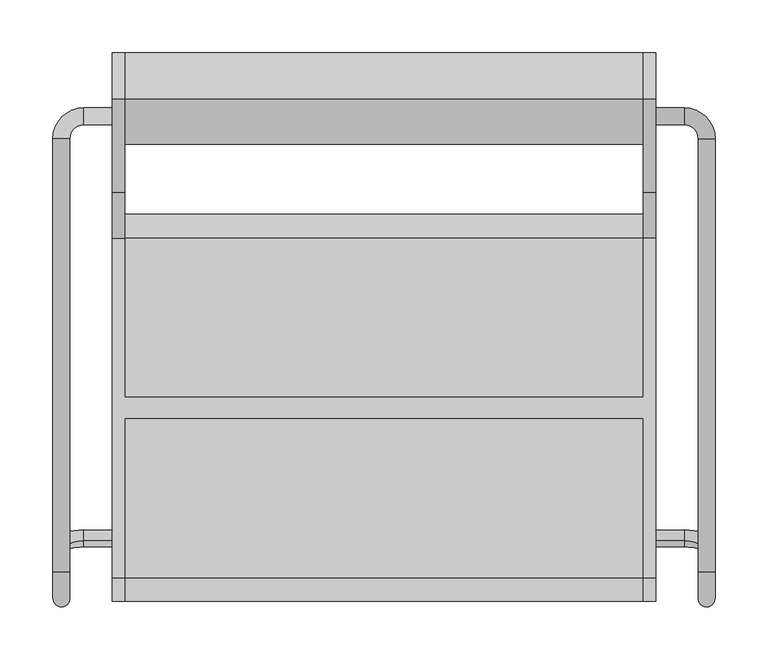
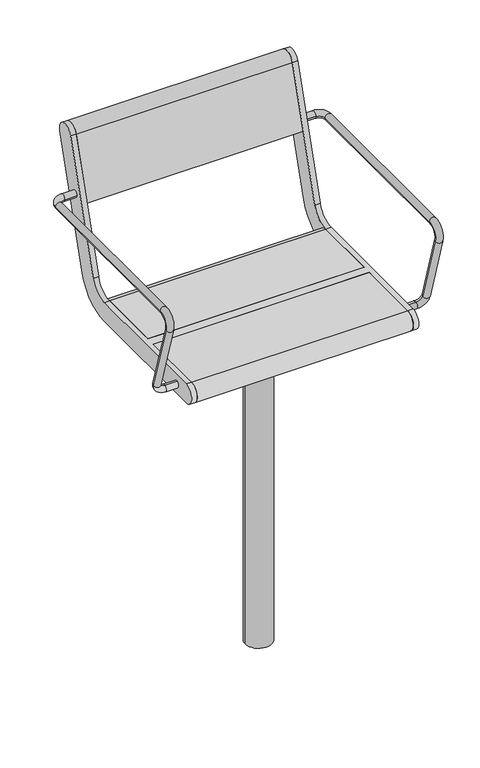
"""IFC4 building model written with IfcOpenShell, lengths in millimetres: furniture geometry."""

import ifcopenshell
import ifcopenshell.guid

model = None  # the IFC model being written
_history = None  # IfcOwnerHistory: only IFC2X3 demands one
_inside = {}  # id of a spatial element -> (the spatial element, [elements in it])
_under = {}  # id of a project, library or spatial element -> (it, [spatial elements below it])
_declared = {}  # id of a project -> (the project, [libraries it declares])
_typed = {}  # id of a type object -> (the type object, [elements of that type])
_made_of = {}  # id of a material, layer set ... -> (it, [elements and type objects made of it])


def new_model(schema):
    """Start an empty IFC model of exactly this schema.

    Asked for "IFC4X3", IfcOpenShell would pick the latest addendum, in which some entities
    have other attributes; the version numbers below select the first issue.
    IFC2X3 requires an IfcOwnerHistory on every rooted entity: one is made here for all.
    """
    global model, _history
    if schema == "IFC4X3":
        model = ifcopenshell.file(schema_version=(4, 3, 0, 0))
    else:
        model = ifcopenshell.file(schema=schema)
    _inside.clear()
    _under.clear()
    _declared.clear()
    _typed.clear()
    _made_of.clear()
    _history = None
    if model.schema == "IFC2X3":
        org = make("IfcOrganization", Name="unknown")
        user = make(
            "IfcPersonAndOrganization",
            ThePerson=make("IfcPerson", FamilyName="unknown"),
            TheOrganization=org,
        )
        app = make(
            "IfcApplication",
            ApplicationDeveloper=org,
            Version="unknown",
            ApplicationFullName="unknown",
            ApplicationIdentifier="unknown",
        )
        _history = make(
            "IfcOwnerHistory",
            OwningUser=user,
            OwningApplication=app,
            ChangeAction="ADDED",
            CreationDate=0,
        )
    return model


def make(cls, **values):
    """One entity of the class cls with the attributes given. An attribute that is None is left unset."""
    return model.create_entity(
        cls, **{name: value for name, value in values.items() if value is not None}
    )


def rooted(cls, **values):
    """An entity with a GlobalId (a new one), such as an element, a storey or a relation."""
    return make(cls, GlobalId=ifcopenshell.guid.new(), OwnerHistory=_history, **values)


def si_unit(unit_type, name, prefix=None):
    """IfcSIUnit, for example si_unit("LENGTHUNIT", "METRE", prefix="MILLI")."""
    return make("IfcSIUnit", UnitType=unit_type, Prefix=prefix, Name=name)


def assignment(units):
    """IfcUnitAssignment: the units of a project."""
    return None if units is None else make("IfcUnitAssignment", Units=units)


def point(xyz):
    """IfcCartesianPoint."""
    return None if xyz is None else make("IfcCartesianPoint", Coordinates=xyz)


def direction(xyz):
    """IfcDirection."""
    return None if xyz is None else make("IfcDirection", DirectionRatios=xyz)


def frame(location, z_axis=None, x_axis=None):
    """IfcAxis2Placement3D, a coordinate frame: its origin and axes. An axis left out is left unset."""
    return make(
        "IfcAxis2Placement3D",
        Location=point(location),
        Axis=direction(z_axis),
        RefDirection=direction(x_axis),
    )


def frame_2d(location, x_axis=None):
    """IfcAxis2Placement2D, a coordinate frame in the plane: its origin and x axis."""
    return make(
        "IfcAxis2Placement2D", Location=point(location), RefDirection=direction(x_axis)
    )


def origin():
    """The frame at (0, 0, 0) with its axes left unset."""
    return frame((0.0, 0.0, 0.0))


def origin_2d():
    """The frame at (0, 0) in the plane with its x axis left unset."""
    return frame_2d((0.0, 0.0))


def place(relative_to, where):
    """IfcLocalPlacement: puts the frame where relative to a parent placement (None: the world)."""
    return make(
        "IfcLocalPlacement", PlacementRelTo=relative_to, RelativePlacement=where
    )


def context(
    kind, dimensions, precision=None, world=None, true_north=None, identifier=None
):
    """IfcGeometricRepresentationContext, for example the 3D "Model" context."""
    return make(
        "IfcGeometricRepresentationContext",
        ContextIdentifier=identifier,
        ContextType=kind,
        CoordinateSpaceDimension=dimensions,
        Precision=precision,
        WorldCoordinateSystem=world,
        TrueNorth=true_north,
    )


def project(units=None, contexts=None):
    """IfcProject with its units and contexts."""
    return rooted(
        "IfcProject",
        Name="project",
        RepresentationContexts=contexts,
        UnitsInContext=assignment(units),
    )


def spatial(cls, under=None, at=None, **own):
    """A site, building, storey or space (cls), placed at a placement, below another one or the project."""
    s = rooted(cls, ObjectPlacement=at, **own)
    if under is not None:
        _under.setdefault(under.id(), (under, []))[1].append(s)
    return s


def polyline(points):
    """IfcPolyline through the points."""
    return make("IfcPolyline", Points=[point(p) for p in points])


def circle_curve(where, radius):
    """IfcCircle in the frame where."""
    return make("IfcCircle", Position=where, Radius=radius)


def ellipse_curve(where, semi_axis1, semi_axis2):
    """IfcEllipse in the frame where."""
    return make(
        "IfcEllipse", Position=where, SemiAxis1=semi_axis1, SemiAxis2=semi_axis2
    )


def trimmed(basis, trim1, trim2, sense, master):
    """IfcTrimmedCurve: the piece of a basis curve between two trims."""
    return make(
        "IfcTrimmedCurve",
        BasisCurve=basis,
        Trim1=trim1,
        Trim2=trim2,
        SenseAgreement=sense,
        MasterRepresentation=master,
    )


def segment(curve, same_sense, transition):
    """IfcCompositeCurveSegment."""
    return make(
        "IfcCompositeCurveSegment",
        Transition=transition,
        SameSense=same_sense,
        ParentCurve=curve,
    )


def composite_curve(segments, self_intersect=None):
    """IfcCompositeCurve: segments joined end to end."""
    return make("IfcCompositeCurve", Segments=segments, SelfIntersect=self_intersect)


def outline(outer, holes=None, kind="AREA"):
    """IfcArbitraryClosedProfileDef: a profile drawn as a closed curve; with holes, ...WithVoids."""
    if holes is None:
        return make("IfcArbitraryClosedProfileDef", ProfileType=kind, OuterCurve=outer)
    return make(
        "IfcArbitraryProfileDefWithVoids",
        ProfileType=kind,
        OuterCurve=outer,
        InnerCurves=holes,
    )


def extrude(swept, where, along, depth):
    """IfcExtrudedAreaSolid: the profile swept, set in the frame where, extruded along a direction by depth."""
    return make(
        "IfcExtrudedAreaSolid",
        SweptArea=swept,
        Position=where,
        ExtrudedDirection=direction(along),
        Depth=depth,
    )


def shape(context_of_items, identifier, shape_type, items):
    """IfcShapeRepresentation: the items that make up one representation, for example the "Body"."""
    return make(
        "IfcShapeRepresentation",
        ContextOfItems=context_of_items,
        RepresentationIdentifier=identifier,
        RepresentationType=shape_type,
        Items=items,
    )


def source(mapping_origin, context_of_items, identifier, shape_type, items):
    """IfcRepresentationMap: a shape defined once, which mapped items show again and again."""
    return make(
        "IfcRepresentationMap",
        MappingOrigin=mapping_origin,
        MappedRepresentation=shape(context_of_items, identifier, shape_type, items),
    )


def transform(
    local_origin,
    x_axis=None,
    y_axis=None,
    z_axis=None,
    scale=None,
    scale2=None,
    scale3=None,
    uniform=True,
):
    """IfcCartesianTransformationOperator3D, or its non-uniform kind. x_axis, y_axis, z_axis: its Axis1, 2, 3."""
    if uniform:
        return make(
            "IfcCartesianTransformationOperator3D",
            Axis1=direction(x_axis),
            Axis2=direction(y_axis),
            LocalOrigin=point(local_origin),
            Scale=scale,
            Axis3=direction(z_axis),
        )
    return make(
        "IfcCartesianTransformationOperator3DnonUniform",
        Axis1=direction(x_axis),
        Axis2=direction(y_axis),
        LocalOrigin=point(local_origin),
        Scale=scale,
        Axis3=direction(z_axis),
        Scale2=scale2,
        Scale3=scale3,
    )


def mapped(mapping_source, mapping_target):
    """IfcMappedItem: shows the shape of a source again, moved by a transform."""
    return make(
        "IfcMappedItem", MappingSource=mapping_source, MappingTarget=mapping_target
    )


def made_of(thing, what):
    """Note that an element or type object is made of a material, layer set ...; save() writes the relation."""
    if what is not None:
        _made_of.setdefault(what.id(), (what, []))[1].append(thing)
    return thing


def element(
    cls,
    number,
    at=None,
    inside=None,
    cuts=None,
    type_object=None,
    material=None,
    context=None,
    identifier="Body",
    shape_type=None,
    held_by="IfcProductDefinitionShape",
    body=None,
    shapes=None,
    **own,
):
    """One element of the class cls, such as IfcWall. Its Tag is "e" and its number.

    at: its placement. inside: the storey or other place that contains it. cuts: it is an
    opening in that element (IfcRelVoidsElement). A single representation is given by context,
    identifier, shape_type and body (its items); several are given by shapes. held_by: the class
    of the entity that holds the representations. save() writes the other relations.
    """
    e = rooted(cls, Tag="e%d" % number, ObjectPlacement=at, **own)
    if body is not None:
        shapes = [shape(context, identifier, shape_type, body)]
    if shapes is not None:
        e.Representation = make(held_by, Representations=shapes)
    if inside is not None:
        _inside.setdefault(inside.id(), (inside, []))[1].append(e)
    if cuts is not None:
        rooted(
            "IfcRelVoidsElement", RelatingBuildingElement=cuts, RelatedOpeningElement=e
        )
    if type_object is not None:
        _typed.setdefault(type_object.id(), (type_object, []))[1].append(e)
    return made_of(e, material)


def aggregate(whole, parts):
    """IfcRelAggregates: a whole, such as a stair, and the parts it consists of."""
    return rooted("IfcRelAggregates", RelatingObject=whole, RelatedObjects=parts)


def save(model, path):
    """Write the relations noted so far, then the file.

    IfcRelAggregates (storeys below a building ...), IfcRelContainedInSpatialStructure (elements
    in a storey), IfcRelDefinesByType, IfcRelAssociatesMaterial and IfcRelDeclares: one each for
    every whole, place, type object, material and project.
    """
    for whole, parts in _under.values():
        aggregate(whole, parts)
    for where, things in _inside.values():
        rooted(
            "IfcRelContainedInSpatialStructure",
            RelatedElements=things,
            RelatingStructure=where,
        )
    for kind, things in _typed.values():
        rooted("IfcRelDefinesByType", RelatedObjects=things, RelatingType=kind)
    for what, things in _made_of.values():
        rooted("IfcRelAssociatesMaterial", RelatedObjects=things, RelatingMaterial=what)
    for by, libraries in _declared.values():
        rooted("IfcRelDeclares", RelatingContext=by, RelatedDefinitions=libraries)
    model.write(path)


def plane_surface(at):
    """IfcPlane: the flat surface through the origin of the frame at, square to its z axis."""
    return make("IfcPlane", Position=at)


def cylinder_surface(at, radius):
    """IfcCylindricalSurface: all points at the distance radius from the z axis of the frame at."""
    return make("IfcCylindricalSurface", Position=at, Radius=radius)


def revolved_surface(curve, axis_point, axis_direction):
    """IfcSurfaceOfRevolution: the curve turned about the line through axis_point along axis_direction."""
    return make(
        "IfcSurfaceOfRevolution",
        SweptCurve=make("IfcArbitraryOpenProfileDef", ProfileType="CURVE", Curve=curve),
        AxisPosition=make("IfcAxis1Placement", Location=point(axis_point), Axis=direction(axis_direction)),
    )


def advanced_brep(points, edges, surfaces, faces):
    """IfcAdvancedBrep: a solid bounded by faces that lie on surfaces and meet in shared edges.

    An edge is (start, end): straight between two places in points (the first is 0);
    or (start, end, curve); or (start, end, curve, False) where it runs against its curve.
    A face is (place in surfaces, loops), or (place, loops, False) where it looks against
    its surface's normal. A loop lists edges by number (the first is 1), with a minus sign
    where the edge is run from its end to its start. The first loop is the outer one.
    """
    corners = [point(p) for p in points]
    vertices = [make("IfcVertexPoint", VertexGeometry=c) for c in corners]
    made = []
    for start, end, *more in edges:
        made.append(
            make(
                "IfcEdgeCurve",
                EdgeStart=vertices[start],
                EdgeEnd=vertices[end],
                EdgeGeometry=more[0] if more else make("IfcPolyline", Points=[corners[start], corners[end]]),
                SameSense=more[1] if len(more) > 1 else True,
            )
        )
    hull = []
    for where, loops, *sense in faces:
        bounds = []
        for j, loop in enumerate(loops):
            ring = [make("IfcOrientedEdge", EdgeElement=made[abs(k) - 1], Orientation=k > 0) for k in loop]
            bounds.append(
                make(
                    "IfcFaceOuterBound" if j == 0 else "IfcFaceBound",
                    Bound=make("IfcEdgeLoop", EdgeList=ring),
                    Orientation=True,
                )
            )
        hull.append(make("IfcAdvancedFace", Bounds=bounds, FaceSurface=surfaces[where], SameSense=sense[0] if sense else True))
    return make("IfcAdvancedBrep", Outer=make("IfcClosedShell", CfsFaces=hull))


def furniture_f6655a79(model_context):
    return source(origin(), model_context, "Body", "SolidModel", [
        advanced_brep(
        [(257.0, 267.0, 641.5), (257.0, 283.0, 641.5), (284.0, 267.0, 641.5), (284.0, 283.0, 641.5), (297.0, 254.0, 641.5), (313.0, 254.0, 641.5), (297.0, -155.6408049, 641.5), (313.0, -155.6408049, 641.5), (313.0, -179.5484238, 609.1907074), (297.0, -179.5484238, 609.1907074), (313.0, -130.1398058, 447.5823999), (297.0, -130.1398058, 447.5823999), (257.0, -126.3389736, 435.150438), (257.0, -121.6610264, 419.849562), (284.0, -121.6610264, 419.849562), (284.0, -126.3389736, 435.150438)],
        [
            (0, 1, circle_curve(frame((257.0, 275.0, 641.5), z_axis=(-1.0, 0.0, 0.0), x_axis=(0.0, 1.0, 0.0)), 8.0)),
            (1, 0, circle_curve(frame((257.0, 275.0, 641.5), z_axis=(-1.0, 0.0, 0.0), x_axis=(0.0, 1.0, 0.0)), 8.0)),
            (0, 2),
            (2, 3, circle_curve(frame((284.0, 275.0, 641.5), z_axis=(-1.0, 0.0, 0.0), x_axis=(0.0, 1.0, 0.0)), 8.0)),
            (3, 1),
            (3, 2, circle_curve(frame((284.0, 275.0, 641.5), z_axis=(-1.0, 0.0, 0.0), x_axis=(0.0, 1.0, 0.0)), 8.0)),
            (2, 4, circle_curve(frame((284.0, 254.0, 641.5), z_axis=(0.0, 0.0, -1.0), x_axis=(0.0, 1.0, 0.0)), 13.0)),
            (4, 5, circle_curve(frame((305.0, 254.0, 641.5), z_axis=(0.0, 1.0, 0.0), x_axis=(1.0, 0.0, 0.0)), 8.0)),
            (5, 3, circle_curve(frame((284.0, 254.0, 641.5), z_axis=(0.0, 0.0, 1.0), x_axis=(0.0, 1.0, 0.0)), 29.0)),
            (5, 4, circle_curve(frame((305.0, 254.0, 641.5), z_axis=(0.0, 1.0, 0.0), x_axis=(1.0, 0.0, 0.0)), 8.0)),
            (4, 6),
            (6, 7, circle_curve(frame((305.0, -155.6408049, 641.5), z_axis=(0.0, 1.0, 0.0), x_axis=(1.0, 0.0, 0.0)), 8.0)),
            (7, 5),
            (7, 6, circle_curve(frame((305.0, -155.6408049, 641.5), z_axis=(0.0, 1.0, 0.0), x_axis=(1.0, 0.0, 0.0)), 8.0)),
            (7, 8, circle_curve(frame((313.0, -155.6408049, 616.5), z_axis=(1.0, 0.0, 0.0), x_axis=(0.0, 0.0, 1.0)), 25.0)),
            (8, 9, circle_curve(frame((305.0, -179.5484238, 609.1907074), z_axis=(0.0, -0.2923717047227469, 0.9563047559630324), x_axis=(1.0, 0.0, 0.0)), 8.0)),
            (9, 6, circle_curve(frame((297.0, -155.6408049, 616.5), z_axis=(-1.0, 0.0, 0.0), x_axis=(0.0, 0.0, 1.0)), 25.0)),
            (9, 8, circle_curve(frame((305.0, -179.5484238, 609.1907074), z_axis=(0.0, -0.2923717047227456, 0.9563047559630328), x_axis=(1.0, 0.0, 0.0)), 8.0)),
            (8, 10),
            (10, 11, circle_curve(frame((305.0, -130.1398058, 447.5823999), z_axis=(0.0, -0.2923717047227381, 0.9563047559630351), x_axis=(1.0, 0.0, 0.0)), 8.0)),
            (11, 9),
            (11, 10, circle_curve(frame((305.0, -130.1398058, 447.5823999), z_axis=(0.0, -0.2923717047227381, 0.9563047559630351), x_axis=(1.0, 0.0, 0.0)), 8.0)),
            (12, 13, circle_curve(frame((257.0, -124.0, 427.5), z_axis=(-1.0, 0.0, 0.0), x_axis=(0.0, 0.2923717047227402, -0.9563047559630344)), 8.0)),
            (13, 12, circle_curve(frame((257.0, -124.0, 427.5), z_axis=(-1.0, 0.0, 0.0), x_axis=(0.0, 0.2923717047227402, -0.9563047559630344)), 8.0)),
            (13, 14),
            (14, 15, circle_curve(frame((284.0, -124.0, 427.5), z_axis=(-1.0, 0.0, 0.0), x_axis=(0.0, 0.2923717047227402, -0.9563047559630344)), 8.0)),
            (15, 12),
            (15, 14, circle_curve(frame((284.0, -124.0, 427.5), z_axis=(-1.0, 0.0, 0.0), x_axis=(0.0, 0.2923717047227402, -0.9563047559630344)), 8.0)),
            (14, 10, circle_curve(frame((284.0, -130.1398058, 447.5823999), z_axis=(0.0, -0.9563047559630344, -0.29237170472274027), x_axis=(0.0, 0.29237170472274027, -0.9563047559630344)), 29.0)),
            (11, 15, circle_curve(frame((284.0, -130.1398058, 447.5823999), z_axis=(0.0, 0.9563047559630344, 0.29237170472274027), x_axis=(0.0, 0.29237170472274027, -0.9563047559630344)), 13.0)),
        ],
        [
            plane_surface(frame((257.0, 275.0, 405.0), z_axis=(-1.0, 0.0, 0.0), x_axis=(0.0, 0.0, 1.0))),
            cylinder_surface(frame((257.0, 275.0, 641.5), z_axis=(-1.0, 0.0, 0.0), x_axis=(0.0, 1.0, 0.0)), 8.0),
            revolved_surface(trimmed(ellipse_curve(frame((284.0, 275.0, 641.5), z_axis=(-1.0, 0.0, 0.0), x_axis=(0.0, 1.0, 0.0)), 8.0, 8.0), [point((284.0, 267.0, 641.5))], [point((284.0, 283.0, 641.5))], True, "CARTESIAN"), (284.0, 254.0, 405.0), (0.0, 0.0, -1.0)),
            revolved_surface(trimmed(ellipse_curve(frame((284.0, 275.0, 641.5), z_axis=(-1.0, 0.0, 0.0), x_axis=(0.0, 1.0, 0.0)), 8.0, 8.0), [point((284.0, 283.0, 641.5))], [point((284.0, 267.0, 641.5))], True, "CARTESIAN"), (284.0, 254.0, 405.0), (0.0, 0.0, -1.0)),
            cylinder_surface(frame((305.0, 254.0, 641.5), z_axis=(0.0, 1.0, 0.0), x_axis=(1.0, 0.0, 0.0)), 8.0),
            revolved_surface(trimmed(ellipse_curve(frame((305.0, -155.6408049, 641.5), z_axis=(0.0, 1.0, 0.0), x_axis=(1.0, 0.0, 0.0)), 8.0, 8.0), [point((313.0, -155.6408049, 641.5))], [point((297.0, -155.6408049, 641.5))], True, "CARTESIAN"), (0.0, -155.6408049, 616.5), (1.0, 0.0, 0.0)),
            revolved_surface(trimmed(ellipse_curve(frame((305.0, -155.6408049, 641.5), z_axis=(0.0, 1.0, 0.0), x_axis=(1.0, 0.0, 0.0)), 8.0, 8.0), [point((297.0, -155.6408049, 641.5))], [point((313.0, -155.6408049, 641.5))], True, "CARTESIAN"), (0.0, -155.6408049, 616.5), (1.0, 0.0, 0.0)),
            cylinder_surface(frame((305.0, -179.5484238, 609.1907074), z_axis=(0.0, -0.2923717047227381, 0.9563047559630351), x_axis=(1.0, 0.0, 0.0)), 8.0),
            plane_surface(frame((257.0, 489.469501, 615.0564486), z_axis=(-1.0, 0.0, 0.0), x_axis=(0.0, -0.9563047559630344, -0.29237170472274027))),
            cylinder_surface(frame((257.0, -124.0, 427.5), z_axis=(-1.0, 0.0, 0.0), x_axis=(0.0, 0.2923717047227402, -0.9563047559630344)), 8.0),
            revolved_surface(trimmed(ellipse_curve(frame((284.0, -124.0, 427.5), z_axis=(-1.0, 0.0, 0.0), x_axis=(0.0, 0.2923717047227402, -0.9563047559630344)), 8.0, 8.0), [point((284.0, -121.6610264, 419.849562))], [point((284.0, -126.3389736, 435.150438))], True, "CARTESIAN"), (284.0, 483.3296952, 635.1388485), (0.0, -0.9563047559630344, -0.29237170472274027)),
            revolved_surface(trimmed(ellipse_curve(frame((284.0, -124.0, 427.5), z_axis=(-1.0, 0.0, 0.0), x_axis=(0.0, 0.2923717047227402, -0.9563047559630344)), 8.0, 8.0), [point((284.0, -126.3389736, 435.150438))], [point((284.0, -121.6610264, 419.849562))], True, "CARTESIAN"), (284.0, 483.3296952, 635.1388485), (0.0, -0.9563047559630344, -0.29237170472274027)),
        ],
        [
            (0, [[1, 2]]),
            (1, [[-1, 3, 4, 5]]),
            (1, [[-2, -5, 6, -3]]),
            (2, [[-4, 7, 8, 9]]),
            (3, [[-6, -9, 10, -7]]),
            (4, [[11, 12, 13, -8]]),
            (4, [[-11, -10, -13, 14]]),
            (5, [[-14, 15, 16, 17]]),
            (6, [[-12, -17, 18, -15]]),
            (7, [[-16, 19, 20, 21]]),
            (7, [[-18, -21, 22, -19]]),
            (8, [[23, 24]]),
            (9, [[-24, 25, 26, 27]]),
            (9, [[-23, -27, 28, -25]]),
            (10, [[-26, 29, -22, 30]]),
            (11, [[-28, -30, -20, -29]]),
        ],
    ),
        advanced_brep(
        [(-313.0, 254.0, 641.5), (-313.0, -155.6408049, 641.5), (-297.0, -155.6408049, 641.5), (-297.0, 254.0, 641.5), (-257.0, 267.0, 641.5), (-257.0, 283.0, 641.5), (-284.0, 283.0, 641.5), (-284.0, 267.0, 641.5), (-297.0, -179.5484238, 609.1907074), (-313.0, -179.5484238, 609.1907074), (-297.0, -130.1398058, 447.5823999), (-313.0, -130.1398058, 447.5823999), (-257.0, -126.3389736, 435.150438), (-257.0, -121.6610264, 419.849562), (-284.0, -126.3389736, 435.150438), (-284.0, -121.6610264, 419.849562)],
        [
            (0, 1),
            (1, 2, circle_curve(frame((-305.0, -155.6408049, 641.5), z_axis=(0.0, 1.0, 0.0), x_axis=(-1.0, 0.0, 0.0)), 8.0)),
            (2, 3),
            (3, 0, circle_curve(frame((-305.0, 254.0, 641.5), z_axis=(0.0, -1.0, 0.0), x_axis=(-1.0, 0.0, 0.0)), 8.0)),
            (0, 3, circle_curve(frame((-305.0, 254.0, 641.5), z_axis=(0.0, -1.0, 0.0), x_axis=(-1.0, 0.0, 0.0)), 8.0)),
            (2, 1, circle_curve(frame((-305.0, -155.6408049, 641.5), z_axis=(0.0, 1.0, 0.0), x_axis=(-1.0, 0.0, 0.0)), 8.0)),
            (4, 5, circle_curve(frame((-257.0, 275.0, 641.5), z_axis=(1.0, 0.0, 0.0), x_axis=(0.0, 1.0, 0.0)), 8.0)),
            (5, 4, circle_curve(frame((-257.0, 275.0, 641.5), z_axis=(1.0, 0.0, 0.0), x_axis=(0.0, 1.0, 0.0)), 8.0)),
            (5, 6),
            (6, 7, circle_curve(frame((-284.0, 275.0, 641.5), z_axis=(1.0, 0.0, 0.0), x_axis=(0.0, 1.0, 0.0)), 8.0)),
            (7, 4),
            (7, 6, circle_curve(frame((-284.0, 275.0, 641.5), z_axis=(1.0, 0.0, 0.0), x_axis=(0.0, 1.0, 0.0)), 8.0)),
            (6, 0, circle_curve(frame((-284.0, 254.0, 641.5), z_axis=(0.0, 0.0, 1.0), x_axis=(0.0, 1.0, 0.0)), 29.0)),
            (3, 7, circle_curve(frame((-284.0, 254.0, 641.5), z_axis=(0.0, 0.0, -1.0), x_axis=(0.0, 1.0, 0.0)), 13.0)),
            (2, 8, circle_curve(frame((-297.0, -155.6408049, 616.5), z_axis=(1.0, 0.0, 0.0), x_axis=(0.0, 0.0, 1.0)), 25.0)),
            (8, 9, circle_curve(frame((-305.0, -179.5484238, 609.1907074), z_axis=(0.0, -0.29237170472274643, 0.9563047559630325), x_axis=(-1.0, 0.0, 0.0)), 8.0)),
            (9, 1, circle_curve(frame((-313.0, -155.6408049, 616.5), z_axis=(-1.0, 0.0, 0.0), x_axis=(0.0, 0.0, 1.0)), 25.0)),
            (9, 8, circle_curve(frame((-305.0, -179.5484238, 609.1907074), z_axis=(0.0, -0.29237170472274643, 0.9563047559630325), x_axis=(-1.0, 0.0, 0.0)), 8.0)),
            (8, 10),
            (10, 11, circle_curve(frame((-305.0, -130.1398058, 447.5823999), z_axis=(0.0, -0.2923717047227381, 0.9563047559630351), x_axis=(-1.0, 0.0, 0.0)), 8.0)),
            (11, 9),
            (11, 10, circle_curve(frame((-305.0, -130.1398058, 447.5823999), z_axis=(0.0, -0.2923717047227381, 0.9563047559630351), x_axis=(-1.0, 0.0, 0.0)), 8.0)),
            (12, 13, circle_curve(frame((-257.0, -124.0, 427.5), z_axis=(1.0, 0.0, 0.0), x_axis=(0.0, 0.2923717047227402, -0.9563047559630344)), 8.0)),
            (13, 12, circle_curve(frame((-257.0, -124.0, 427.5), z_axis=(1.0, 0.0, 0.0), x_axis=(0.0, 0.2923717047227402, -0.9563047559630344)), 8.0)),
            (12, 14),
            (14, 15, circle_curve(frame((-284.0, -124.0, 427.5), z_axis=(1.0, 0.0, 0.0), x_axis=(0.0, 0.2923717047227402, -0.9563047559630344)), 8.0)),
            (15, 13),
            (15, 14, circle_curve(frame((-284.0, -124.0, 427.5), z_axis=(1.0, 0.0, 0.0), x_axis=(0.0, 0.2923717047227402, -0.9563047559630344)), 8.0)),
            (14, 10, circle_curve(frame((-284.0, -130.1398058, 447.5823999), z_axis=(0.0, 0.9563047559630344, 0.29237170472274027), x_axis=(0.0, 0.29237170472274027, -0.9563047559630344)), 13.0)),
            (11, 15, circle_curve(frame((-284.0, -130.1398058, 447.5823999), z_axis=(0.0, -0.9563047559630344, -0.29237170472274027), x_axis=(0.0, 0.29237170472274027, -0.9563047559630344)), 29.0)),
        ],
        [
            cylinder_surface(frame((-305.0, 254.0, 641.5), z_axis=(0.0, 1.0, 0.0), x_axis=(-1.0, 0.0, 0.0)), 8.0),
            plane_surface(frame((-257.0, 275.0, 405.0), z_axis=(1.0, 0.0, 0.0), x_axis=(0.0, 0.0, 1.0))),
            cylinder_surface(frame((-257.0, 275.0, 641.5), z_axis=(1.0, 0.0, 0.0), x_axis=(0.0, 1.0, 0.0)), 8.0),
            revolved_surface(trimmed(ellipse_curve(frame((-284.0, 275.0, 641.5), z_axis=(1.0, 0.0, 0.0), x_axis=(0.0, 1.0, 0.0)), 8.0, 8.0), [point((-284.0, 283.0, 641.5))], [point((-284.0, 267.0, 641.5))], True, "CARTESIAN"), (-284.0, 254.0, 405.0), (0.0, 0.0, 1.0)),
            revolved_surface(trimmed(ellipse_curve(frame((-284.0, 275.0, 641.5), z_axis=(1.0, 0.0, 0.0), x_axis=(0.0, 1.0, 0.0)), 8.0, 8.0), [point((-284.0, 267.0, 641.5))], [point((-284.0, 283.0, 641.5))], True, "CARTESIAN"), (-284.0, 254.0, 405.0), (0.0, 0.0, 1.0)),
            revolved_surface(trimmed(ellipse_curve(frame((-305.0, -155.6408049, 641.5), z_axis=(0.0, 1.0, 0.0), x_axis=(-1.0, 0.0, 0.0)), 8.0, 8.0), [point((-297.0, -155.6408049, 641.5))], [point((-313.0, -155.6408049, 641.5))], True, "CARTESIAN"), (0.0, -155.6408049, 616.5), (1.0, 0.0, 0.0)),
            revolved_surface(trimmed(ellipse_curve(frame((-305.0, -155.6408049, 641.5), z_axis=(0.0, 1.0, 0.0), x_axis=(-1.0, 0.0, 0.0)), 8.0, 8.0), [point((-313.0, -155.6408049, 641.5))], [point((-297.0, -155.6408049, 641.5))], True, "CARTESIAN"), (0.0, -155.6408049, 616.5), (1.0, 0.0, 0.0)),
            cylinder_surface(frame((-305.0, -179.5484238, 609.1907074), z_axis=(0.0, -0.2923717047227381, 0.9563047559630351), x_axis=(-1.0, 0.0, 0.0)), 8.0),
            plane_surface(frame((-257.0, 489.469501, 615.0564486), z_axis=(1.0, 0.0, 0.0), x_axis=(0.0, -0.9563047559630344, -0.29237170472274027))),
            cylinder_surface(frame((-257.0, -124.0, 427.5), z_axis=(1.0, 0.0, 0.0), x_axis=(0.0, 0.2923717047227402, -0.9563047559630344)), 8.0),
            revolved_surface(trimmed(ellipse_curve(frame((-284.0, -124.0, 427.5), z_axis=(1.0, 0.0, 0.0), x_axis=(0.0, 0.2923717047227402, -0.9563047559630344)), 8.0, 8.0), [point((-284.0, -126.3389736, 435.150438))], [point((-284.0, -121.6610264, 419.849562))], True, "CARTESIAN"), (-284.0, 483.3296952, 635.1388485), (0.0, 0.9563047559630344, 0.29237170472274027)),
            revolved_surface(trimmed(ellipse_curve(frame((-284.0, -124.0, 427.5), z_axis=(1.0, 0.0, 0.0), x_axis=(0.0, 0.2923717047227402, -0.9563047559630344)), 8.0, 8.0), [point((-284.0, -121.6610264, 419.849562))], [point((-284.0, -126.3389736, 435.150438))], True, "CARTESIAN"), (-284.0, 483.3296952, 635.1388485), (0.0, 0.9563047559630344, 0.29237170472274027)),
        ],
        [
            (0, [[1, 2, 3, 4]]),
            (0, [[-1, 5, -3, 6]]),
            (1, [[7, 8]]),
            (2, [[-8, 9, 10, 11]]),
            (2, [[-7, -11, 12, -9]]),
            (3, [[-10, 13, -4, 14]]),
            (4, [[-12, -14, -5, -13]]),
            (5, [[-6, 15, 16, 17]]),
            (6, [[-2, -17, 18, -15]]),
            (7, [[-16, 19, 20, 21]]),
            (7, [[-18, -21, 22, -19]]),
            (8, [[23, 24]]),
            (9, [[-23, 25, 26, 27]]),
            (9, [[-24, -27, 28, -25]]),
            (10, [[-26, 29, -22, 30]]),
            (11, [[-28, -30, -20, -29]]),
        ],
    ),
        advanced_brep(
        [(-245.0, 291.0375971, 769.6910048), (-245.0, 203.033714, 481.8432733), (-245.0, 160.0, 450.0), (-245.0, 9.5, 450.0), (-245.0, 9.5, 405.0), (-245.0, 160.0, 405.0), (-245.0, 246.067428, 468.6865466), (-245.0, 334.0713112, 756.5342781), (-245.0, -161.0, 450.0), (-245.0, -161.0, 405.0), (-245.0, -10.5, 405.0), (-245.0, -10.5, 450.0), (-257.0, 291.0375971, 769.6910048), (-257.0, 334.0713112, 756.5342781), (-257.0, 246.067428, 468.6865466), (-257.0, 160.0, 405.0), (-257.0, -161.0, 405.0), (-257.0, -161.0, 450.0), (-257.0, 160.0, 450.0), (-257.0, 203.033714, 481.8432733), (245.0, -10.5, 450.0), (245.0, -161.0, 450.0), (257.0, -161.0, 450.0), (257.0, 160.0, 450.0), (245.0, 160.0, 450.0), (245.0, 9.5, 450.0), (245.0, 9.5, 405.0), (245.0, 160.0, 405.0), (257.0, 160.0, 405.0), (257.0, -161.0, 405.0), (245.0, -161.0, 405.0), (245.0, -10.5, 405.0), (257.0, 291.0375971, 769.6910048), (257.0, 203.033714, 481.8432733), (257.0, 246.067428, 468.6865466), (257.0, 334.0713112, 756.5342781), (245.0, 291.0375971, 769.6910048), (245.0, 334.0713112, 756.5342781), (245.0, 246.067428, 468.6865466), (245.0, 203.033714, 481.8432733)],
        [
            (0, 1),
            (1, 2, circle_curve(frame((-245.0, 160.0, 495.0), z_axis=(-1.0, 0.0, 0.0), x_axis=(0.0, -1.0, 0.0)), 45.0)),
            (2, 3),
            (3, 4),
            (4, 5),
            (5, 6, circle_curve(frame((-245.0, 160.0, 495.0), z_axis=(1.0, 0.0, 0.0), x_axis=(0.0, -1.0, 0.0)), 90.0)),
            (6, 7),
            (7, 0, circle_curve(frame((-245.0, 312.5544541, 763.1126415), z_axis=(1.0, 0.0, 0.0), x_axis=(0.0, -1.0, 0.0)), 22.5)),
            (8, 9, circle_curve(frame((-245.0, -161.0, 427.5), z_axis=(1.0, 0.0, 0.0), x_axis=(0.0, -1.0, 0.0)), 22.5)),
            (9, 10),
            (10, 11),
            (11, 8),
            (12, 13, circle_curve(frame((-257.0, 312.5544541, 763.1126415), z_axis=(-1.0, 0.0, 0.0), x_axis=(0.0, -1.0, 0.0)), 22.5)),
            (13, 14),
            (14, 15, circle_curve(frame((-257.0, 160.0, 495.0), z_axis=(-1.0, 0.0, 0.0), x_axis=(0.0, -1.0, 0.0)), 90.0)),
            (15, 16),
            (16, 17, circle_curve(frame((-257.0, -161.0, 427.5), z_axis=(-1.0, 0.0, 0.0), x_axis=(0.0, -1.0, 0.0)), 22.5)),
            (17, 18),
            (18, 19, circle_curve(frame((-257.0, 160.0, 495.0), z_axis=(1.0, 0.0, 0.0), x_axis=(0.0, -1.0, 0.0)), 45.0)),
            (19, 12),
            (0, 12),
            (19, 1),
            (18, 2),
            (17, 8),
            (11, 20),
            (20, 21),
            (21, 22),
            (22, 23),
            (23, 24),
            (24, 25),
            (25, 3),
            (15, 5),
            (4, 26),
            (26, 27),
            (27, 28),
            (28, 29),
            (29, 30),
            (30, 31),
            (31, 10),
            (9, 16),
            (14, 6),
            (13, 7),
            (31, 20),
            (25, 26),
            (32, 33),
            (33, 23, circle_curve(frame((257.0, 160.0, 495.0), z_axis=(-1.0, 0.0, 0.0), x_axis=(0.0, -1.0, 0.0)), 45.0)),
            (22, 29, circle_curve(frame((257.0, -161.0, 427.5), z_axis=(1.0, 0.0, 0.0), x_axis=(0.0, -1.0, 0.0)), 22.5)),
            (28, 34, circle_curve(frame((257.0, 160.0, 495.0), z_axis=(1.0, 0.0, 0.0), x_axis=(0.0, -1.0, 0.0)), 90.0)),
            (34, 35),
            (35, 32, circle_curve(frame((257.0, 312.5544541, 763.1126415), z_axis=(1.0, 0.0, 0.0), x_axis=(0.0, -1.0, 0.0)), 22.5)),
            (36, 37, circle_curve(frame((245.0, 312.5544541, 763.1126415), z_axis=(-1.0, 0.0, 0.0), x_axis=(0.0, -1.0, 0.0)), 22.5)),
            (37, 38),
            (38, 27, circle_curve(frame((245.0, 160.0, 495.0), z_axis=(-1.0, 0.0, 0.0), x_axis=(0.0, -1.0, 0.0)), 90.0)),
            (24, 39, circle_curve(frame((245.0, 160.0, 495.0), z_axis=(1.0, 0.0, 0.0), x_axis=(0.0, -1.0, 0.0)), 45.0)),
            (39, 36),
            (30, 21, circle_curve(frame((245.0, -161.0, 427.5), z_axis=(-1.0, 0.0, 0.0), x_axis=(0.0, -1.0, 0.0)), 22.5)),
            (32, 36),
            (39, 33),
            (38, 34),
            (37, 35),
        ],
        [
            plane_surface(frame((-245.0, 203.033714, 481.8432733), z_axis=(1.0000000000000002, 0.0, 0.0), x_axis=(0.0, -0.29237170472273394, -0.9563047559630364))),
            plane_surface(frame((-257.0, 203.033714, 481.8432733), z_axis=(-1.0000000000000002, 0.0, 0.0), x_axis=(0.0, 0.29237170472273394, 0.9563047559630364))),
            plane_surface(frame((-245.0, 291.0375971, 769.6910048), z_axis=(0.0, -0.9563047559630364, 0.29237170472273394), x_axis=(-1.0, 0.0, 0.0))),
            revolved_surface(polyline([(-257.0, 115.0, 495.0), (-245.0, 115.0, 495.0)]), (-257.0, 160.0, 495.0), (-1.0, 0.0, 0.0)),
            plane_surface(frame((-245.0, 160.0, 450.0), z_axis=(0.0, 0.0, 1.0), x_axis=(-1.0, 0.0, 0.0))),
            plane_surface(frame((-245.0, -161.0, 405.0), z_axis=(0.0, 0.0, -1.0), x_axis=(-1.0, 0.0, 0.0))),
            cylinder_surface(frame((-257.0, 160.0, 495.0), z_axis=(1.0, 0.0, 0.0), x_axis=(0.0, -1.0, 0.0)), 90.0),
            plane_surface(frame((-245.0, 246.067428, 468.6865466), z_axis=(0.0, 0.9563047559630364, -0.29237170472273366), x_axis=(-1.0, 0.0, 0.0))),
            cylinder_surface(frame((-257.0, 312.5544541, 763.1126415), z_axis=(1.0, 0.0, 0.0), x_axis=(0.0, -1.0, 0.0)), 22.5),
            cylinder_surface(frame((-257.0, -161.0, 427.5), z_axis=(1.0, 0.0, 0.0), x_axis=(0.0, -1.0, 0.0)), 22.5),
            plane_surface(frame((245.0, -10.5, 450.0), z_axis=(0.0, -1.0, 0.0), x_axis=(-1.0, 0.0, 0.0))),
            plane_surface(frame((245.0, 9.5, 405.0), z_axis=(0.0, 1.0, 0.0), x_axis=(-1.0, 0.0, 0.0))),
            plane_surface(frame((257.0, 203.033714, 481.8432733), z_axis=(1.0000000000000002, 0.0, 0.0), x_axis=(0.0, -0.29237170472273394, -0.9563047559630364))),
            plane_surface(frame((245.0, 203.033714, 481.8432733), z_axis=(-1.0000000000000002, 0.0, 0.0), x_axis=(0.0, 0.29237170472273394, 0.9563047559630364))),
            plane_surface(frame((257.0, 291.0375971, 769.6910048), z_axis=(0.0, -0.9563047559630364, 0.29237170472273394), x_axis=(-1.0, 0.0, 0.0))),
            revolved_surface(polyline([(245.0, 115.0, 495.0), (257.0, 115.0, 495.0)]), (245.0, 160.0, 495.0), (-1.0, 0.0, 0.0)),
            cylinder_surface(frame((245.0, 160.0, 495.0), z_axis=(1.0, 0.0, 0.0), x_axis=(0.0, -1.0, 0.0)), 90.0),
            plane_surface(frame((257.0, 246.067428, 468.6865466), z_axis=(0.0, 0.9563047559630364, -0.29237170472273366), x_axis=(-1.0, 0.0, 0.0))),
            cylinder_surface(frame((245.0, 312.5544541, 763.1126415), z_axis=(1.0, 0.0, 0.0), x_axis=(0.0, -1.0, 0.0)), 22.5),
            cylinder_surface(frame((245.0, -161.0, 427.5), z_axis=(1.0, 0.0, 0.0), x_axis=(0.0, -1.0, 0.0)), 22.5),
        ],
        [
            (0, [[1, 2, 3, 4, 5, 6, 7, 8]]),
            (0, [[9, 10, 11, 12]]),
            (1, [[13, 14, 15, 16, 17, 18, 19, 20]]),
            (2, [[-1, 21, -20, 22]]),
            (3, [[-2, -22, -19, 23]]),
            (4, [[-18, 24, -12, 25, 26, 27, 28, 29, 30, 31, -3, -23]]),
            (5, [[-16, 32, -5, 33, 34, 35, 36, 37, 38, 39, -10, 40]]),
            (6, [[-6, -32, -15, 41]]),
            (7, [[-7, -41, -14, 42]]),
            (8, [[-8, -42, -13, -21]]),
            (9, [[-9, -24, -17, -40]]),
            (10, [[-25, -11, -39, 43]]),
            (11, [[-31, 44, -33, -4]]),
            (12, [[45, 46, -28, 47, -36, 48, 49, 50]]),
            (13, [[51, 52, 53, -34, -44, -30, 54, 55]]),
            (13, [[56, -26, -43, -38]]),
            (14, [[-45, 57, -55, 58]]),
            (15, [[-46, -58, -54, -29]]),
            (16, [[-48, -35, -53, 59]]),
            (17, [[-49, -59, -52, 60]]),
            (18, [[-50, -60, -51, -57]]),
            (19, [[-47, -27, -56, -37]]),
        ],
    ),
        extrude(outline(composite_curve([segment(trimmed(circle_curve(frame_2d((312.5544541, 763.1126415)), 22.5), [point((291.0375971, 769.6910048))], [point((334.0713112, 756.5342781))], False, "CARTESIAN"), True, "CONTINUOUS"), segment(polyline([(334.0713112, 756.5342781), (291.5312281, 617.3919361), (248.4975141, 630.5486628), (291.0375971, 769.6910048)]), True, "CONTINUOUS")], self_intersect=False)), frame((-245.0, 0.0, 0.0), z_axis=(1.0, 0.0, 0.0), x_axis=(0.0, 1.0, 0.0)), (0.0, 0.0, 1.0), 490.0),
        extrude(outline(composite_curve([segment(polyline([(9.5, 405.0), (9.5, 450.0), (160.0, 450.0)]), True, "CONTINUOUS"), segment(trimmed(circle_curve(frame_2d((160.0, 427.5)), 22.5), [point((160.0, 450.0))], [point((160.0, 405.0))], False, "CARTESIAN"), True, "CONTINUOUS"), segment(polyline([(160.0, 405.0), (9.5, 405.0)]), True, "CONTINUOUS")], self_intersect=False)), frame((-245.0, 0.0, 0.0), z_axis=(1.0, 0.0, 0.0), x_axis=(0.0, 1.0, 0.0)), (0.0, 0.0, 1.0), 490.0),
        extrude(outline(composite_curve([segment(polyline([(-10.5, 405.0), (-161.0, 405.0)]), True, "CONTINUOUS"), segment(trimmed(circle_curve(frame_2d((-161.0, 427.5)), 22.5), [point((-161.0, 405.0))], [point((-161.0, 450.0))], False, "CARTESIAN"), True, "CONTINUOUS"), segment(polyline([(-161.0, 450.0), (-10.5, 450.0), (-10.5, 405.0)]), True, "CONTINUOUS")], self_intersect=False)), frame((-245.0, 0.0, 0.0), z_axis=(1.0, 0.0, 0.0), x_axis=(0.0, 1.0, 0.0)), (0.0, 0.0, 1.0), 490.0),
        extrude(outline(composite_curve([segment(trimmed(circle_curve(origin_2d(), 30.0), [point((-30.0, 0.0))], [point((30.0, 0.0))], False, "CARTESIAN"), True, "CONTINUOUS"), segment(trimmed(circle_curve(origin_2d(), 30.0), [point((30.0, 0.0))], [point((-30.0, 0.0))], False, "CARTESIAN"), True, "CONTINUOUS")], self_intersect=False)), frame((0.0, 0.0, -350.0), z_axis=(0.0, 0.0, 1.0), x_axis=(1.0, 0.0, 0.0)), (0.0, 0.0, 1.0), 739.0),
        extrude(outline(polyline([(75.0, 125.0), (75.0, -125.0), (-75.0, -125.0), (-75.0, 125.0), (75.0, 125.0)])), frame((0.0, 0.0, 389.0), z_axis=(0.0, 0.0, 1.0), x_axis=(1.0, 0.0, 0.0)), (0.0, 0.0, 1.0), 16.0),
    ])


if __name__ == "__main__":
    model = new_model("IFC4")
    model_context = context("Model", 3, world=origin())
    ifc_project = project(units=[si_unit("LENGTHUNIT", "METRE", prefix="MILLI")], contexts=[model_context])
    site = spatial("IfcSite", under=ifc_project)
    building = spatial("IfcBuilding", under=site)
    placement = place(None, origin())
    furniture_shape = furniture_f6655a79(model_context)
    element("IfcFurniture", 1, at=placement, inside=building, context=model_context, shape_type="MappedRepresentation", body=[
        mapped(furniture_shape, transform((0.0, 0.0, 0.0), x_axis=(1.0, 0.0, 0.0), y_axis=(0.0, 1.0, 0.0), z_axis=(0.0, 0.0, 1.0))),
    ])
    save(model, "model.ifc")
